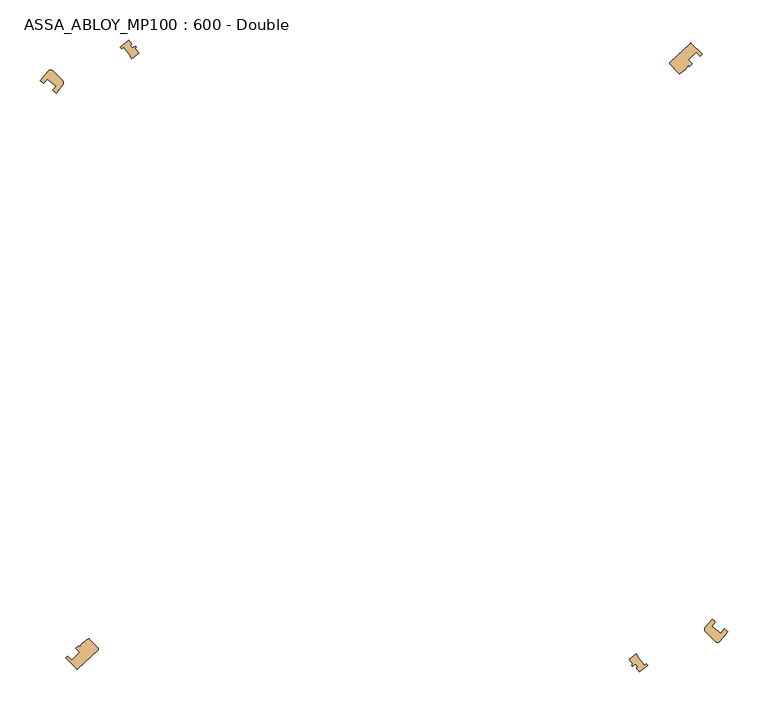
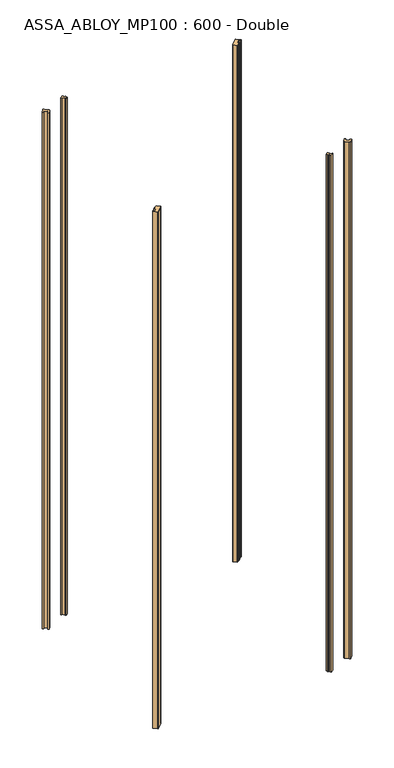
"""IFC4 building model written with IfcOpenShell, lengths in millimetres: door geometry, ASSA_ABLOY_MP100 : 600 - Double."""

from ifc_helpers import new_model, si_unit, point, frame_2d, origin, origin_with_axes, place, context, project, spatial, polyline, circle_curve, trimmed, segment, composite_curve, outline, extrude, source, transform, mapped, element, save


def assa_abloy_mp100_600_double_bf40a0ca(model_context):
    return source(origin(), model_context, "Body", "SweptSolid", [
        extrude(outline(composite_curve([segment(polyline([(479.309861, 363.9260974), (504.5181586, 387.7811579)]), True, "CONTINUOUS"), segment(trimmed(circle_curve(frame_2d((505.2055009, 387.0548244)), 1.0), [point((504.5181586, 387.7811579))], [point((505.9086308, 387.7658858))], False, "CARTESIAN"), True, "CONTINUOUS"), segment(trimmed(circle_curve(frame_2d((-101.9812768, -226.9812768)), 864.5485606), [point((505.9086308, 387.7658858))], [point((519.2398982, 374.2910953))], False, "CARTESIAN"), True, "CONTINUOUS"), segment(polyline([(519.2398982, 374.2910953), (517.0842489, 372.2046687)]), True, "CONTINUOUS"), segment(trimmed(circle_curve(frame_2d((-101.9812768, -226.9812768)), 861.5485606), [point((517.0842489, 372.2046687))], [point((512.1954863, 377.2147395))], True, "CARTESIAN"), True, "CONTINUOUS"), segment(polyline([(512.1954863, 377.2147395), (502.1354518, 367.4777553)]), True, "CONTINUOUS"), segment(trimmed(circle_curve(frame_2d((-101.9812768, -226.9812768)), 847.5485606), [point((502.1354518, 367.4777553))], [point((507.024552, 362.4680112))], False, "CARTESIAN"), True, "CONTINUOUS"), segment(polyline([(507.024552, 362.4680112), (503.5534122, 359.1083375), (502.0685939, 360.6810892), (498.0720284, 355.5803959)]), True, "CONTINUOUS"), segment(trimmed(circle_curve(frame_2d((494.9234226, 358.0474349)), 4.0), [point((498.0720284, 355.5803959))], [point((497.2131569, 354.7676305))], False, "CARTESIAN"), True, "CONTINUOUS"), segment(polyline([(497.2131569, 354.7676305), (491.2664891, 350.6160751)]), True, "CONTINUOUS"), segment(trimmed(circle_curve(frame_2d((490.9946815, 351.5784267)), 1.0), [point((491.2664891, 350.6160751))], [point((490.268348, 350.8910843))], False, "CARTESIAN"), True, "CONTINUOUS"), segment(polyline([(490.268348, 350.8910843), (479.2708699, 362.5124214)]), True, "CONTINUOUS"), segment(trimmed(circle_curve(frame_2d((479.9972034, 363.1997638)), 1.0), [point((479.2708699, 362.5124214))], [point((479.309861, 363.9260974))], False, "CARTESIAN"), True, "CONTINUOUS")], self_intersect=False)), origin_with_axes(), (0.0, 0.0, 1.0), 2200.0),
        extrude(outline(composite_curve([segment(polyline([(-229.309861, -363.9260974), (-254.5181586, -387.7811579)]), True, "CONTINUOUS"), segment(trimmed(circle_curve(frame_2d((-255.2055009, -387.0548244)), 1.0), [point((-254.5181586, -387.7811579))], [point((-255.9086308, -387.7658858))], False, "CARTESIAN"), True, "CONTINUOUS"), segment(trimmed(circle_curve(frame_2d((351.9812768, 226.9812768)), 864.5485606), [point((-255.9086308, -387.7658858))], [point((-269.2398982, -374.2910953))], False, "CARTESIAN"), True, "CONTINUOUS"), segment(polyline([(-269.2398982, -374.2910953), (-267.0842489, -372.2046687)]), True, "CONTINUOUS"), segment(trimmed(circle_curve(frame_2d((351.9812768, 226.9812768)), 861.5485606), [point((-267.0842489, -372.2046687))], [point((-262.1954863, -377.2147395))], True, "CARTESIAN"), True, "CONTINUOUS"), segment(polyline([(-262.1954863, -377.2147395), (-252.1354518, -367.4777553)]), True, "CONTINUOUS"), segment(trimmed(circle_curve(frame_2d((351.9812768, 226.9812768)), 847.5485606), [point((-252.1354518, -367.4777553))], [point((-257.024552, -362.4680112))], False, "CARTESIAN"), True, "CONTINUOUS"), segment(polyline([(-257.024552, -362.4680112), (-253.5534122, -359.1083375), (-252.0685939, -360.6810892), (-248.0720284, -355.5803959)]), True, "CONTINUOUS"), segment(trimmed(circle_curve(frame_2d((-244.9234226, -358.0474349)), 4.0), [point((-248.0720284, -355.5803959))], [point((-247.2131569, -354.7676305))], False, "CARTESIAN"), True, "CONTINUOUS"), segment(polyline([(-247.2131569, -354.7676305), (-241.2664891, -350.6160751)]), True, "CONTINUOUS"), segment(trimmed(circle_curve(frame_2d((-240.9946815, -351.5784267)), 1.0), [point((-241.2664891, -350.6160751))], [point((-240.268348, -350.8910843))], False, "CARTESIAN"), True, "CONTINUOUS"), segment(polyline([(-240.268348, -350.8910843), (-229.2708699, -362.5124214)]), True, "CONTINUOUS"), segment(trimmed(circle_curve(frame_2d((-229.9972034, -363.1997638)), 1.0), [point((-229.2708699, -362.5124214))], [point((-229.309861, -363.9260974))], False, "CARTESIAN"), True, "CONTINUOUS")], self_intersect=False)), origin_with_axes(), (0.0, 0.0, 1.0), 2200.0),
        extrude(outline(composite_curve([segment(polyline([(-300.8765308, 341.8230716), (-291.2143175, 353.5806112)]), True, "CONTINUOUS"), segment(trimmed(circle_curve(frame_2d((-288.1891131, 350.9637164)), 4.0), [point((-291.2143175, 353.5806112))], [point((-285.360686, 353.7921435))], False, "CARTESIAN"), True, "CONTINUOUS"), segment(polyline([(-285.360686, 353.7921435), (-273.3631839, 341.7946414)]), True, "CONTINUOUS"), segment(trimmed(circle_curve(frame_2d((-276.191611, 338.9662143)), 4.0), [point((-273.3631839, 341.7946414))], [point((-273.1011862, 336.426672))], False, "CARTESIAN"), True, "CONTINUOUS"), segment(polyline([(-273.1011862, 336.426672), (-281.4678968, 326.2450381), (-285.638281, 329.5923311)]), True, "CONTINUOUS"), segment(trimmed(circle_curve(frame_2d((125.0, 0.0)), 526.55), [point((-285.638281, 329.5923311))], [point((-281.2203646, 335.0222648))], False, "CARTESIAN"), True, "CONTINUOUS"), segment(polyline([(-281.2203646, 335.0222648), (-292.1394242, 343.7862756)]), True, "CONTINUOUS"), segment(trimmed(circle_curve(frame_2d((125.0, 0.0)), 540.55), [point((-292.1394242, 343.7862756))], [point((-296.5564007, 338.3555874))], True, "CARTESIAN"), True, "CONTINUOUS"), segment(polyline([(-296.5564007, 338.3555874), (-300.8765308, 341.8230716)]), True, "CONTINUOUS")], self_intersect=False)), origin_with_axes(), (0.0, 0.0, 1.0), 2200.0),
        extrude(outline(composite_curve([segment(polyline([(550.8791701, -341.8198569), (541.2143035, -353.5806252)]), True, "CONTINUOUS"), segment(trimmed(circle_curve(frame_2d((538.1895408, -350.9754066)), 3.9920362), [point((541.2143035, -353.5806252))], [point((535.3667449, -353.7982024))], False, "CARTESIAN"), True, "CONTINUOUS"), segment(polyline([(535.3667449, -353.7982024), (523.4563385, -341.887796)]), True, "CONTINUOUS"), segment(trimmed(circle_curve(frame_2d((526.2847656, -339.0593689)), 4.0), [point((523.4563385, -341.887796))], [point((523.1943408, -336.5198266))], False, "CARTESIAN"), True, "CONTINUOUS"), segment(polyline([(523.1943408, -336.5198266), (531.5726762, -326.3240462), (535.6396687, -329.5883026)]), True, "CONTINUOUS"), segment(trimmed(circle_curve(frame_2d((125.0, 0.0)), 526.5485606), [point((535.6396687, -329.5883026))], [point((531.2217935, -335.0182698))], False, "CARTESIAN"), True, "CONTINUOUS"), segment(polyline([(531.2217935, -335.0182698), (542.1409199, -343.7821974)]), True, "CONTINUOUS"), segment(trimmed(circle_curve(frame_2d((125.0, 0.0)), 540.5485606), [point((542.1409199, -343.7821974))], [point((546.5578551, -338.3514758))], True, "CARTESIAN"), True, "CONTINUOUS"), segment(polyline([(546.5578551, -338.3514758), (550.8791701, -341.8198569)]), True, "CONTINUOUS")], self_intersect=False)), origin_with_axes(), (0.0, 0.0, 1.0), 2200.0),
        extrude(outline(composite_curve([segment(polyline([(-183.4434906, 381.5684633), (-178.9817681, 375.9884768)]), True, "CONTINUOUS"), segment(trimmed(circle_curve(frame_2d((125.0, 0.0)), 483.5), [point((-178.9817681, 375.9884768))], [point((-187.4298685, 368.998411))], True, "CARTESIAN"), True, "CONTINUOUS"), segment(polyline([(-187.4298685, 368.998411), (-189.7506937, 371.3192362), (-188.7087413, 372.1523749), (-197.4517632, 383.0867046), (-199.7113837, 381.2799262), (-201.7178297, 383.2863722)]), True, "CONTINUOUS"), segment(trimmed(circle_curve(frame_2d((125.0, 0.0)), 503.6397357), [point((-201.7178297, 383.2863722))], [point((-191.5592408, 391.718305))], False, "CARTESIAN"), True, "CONTINUOUS"), segment(polyline([(-191.5592408, 391.718305), (-187.5027508, 386.6451164), (-189.4553096, 385.0838625), (-187.2695542, 382.35028), (-182.5277629, 384.4264147), (-181.9092684, 383.6529038), (-183.4434906, 381.5684633)]), True, "CONTINUOUS")], self_intersect=False)), origin_with_axes(), (0.0, 0.0, 1.0), 2200.0),
        extrude(outline(composite_curve([segment(polyline([(433.396512, -381.5214848), (428.9817681, -375.9884768)]), True, "CONTINUOUS"), segment(trimmed(circle_curve(frame_2d((125.0, 0.0)), 483.5), [point((428.9817681, -375.9884768))], [point((437.4298685, -368.998411))], True, "CARTESIAN"), True, "CONTINUOUS"), segment(polyline([(437.4298685, -368.998411), (439.7506937, -371.3192362), (438.7087413, -372.1523749), (447.4517633, -383.0867046), (449.7113837, -381.2799262), (451.6709655, -383.239508)]), True, "CONTINUOUS"), segment(trimmed(circle_curve(frame_2d((125.0, 0.0)), 503.5736691), [point((451.6709655, -383.239508))], [point((441.5122623, -391.6713265))], False, "CARTESIAN"), True, "CONTINUOUS"), segment(polyline([(441.5122623, -391.6713265), (437.4557722, -386.5981379), (439.4083311, -385.036884), (437.2225756, -382.3033015), (432.4807844, -384.3794362), (431.8622899, -383.6059253), (433.396512, -381.5214848)]), True, "CONTINUOUS")], self_intersect=False)), origin_with_axes(), (0.0, 0.0, 1.0), 2200.0),
    ])


if __name__ == "__main__":
    model = new_model("IFC4")
    model_context = context("Model", 3, world=origin())
    ifc_project = project(units=[si_unit("LENGTHUNIT", "METRE", prefix="MILLI")], contexts=[model_context])
    site = spatial("IfcSite", under=ifc_project)
    building = spatial("IfcBuilding", under=site)
    placement = place(None, origin())
    assa_abloy_mp100_600_double_shape = assa_abloy_mp100_600_double_bf40a0ca(model_context)
    element("IfcDoor", 1, ObjectType="ASSA_ABLOY_MP100 : 600 - Double", at=placement, inside=building, context=model_context, shape_type="MappedRepresentation", body=[
        mapped(assa_abloy_mp100_600_double_shape, transform((0.0, 0.0, 0.0), x_axis=(1.0, 0.0, 0.0), y_axis=(0.0, 1.0, 0.0), z_axis=(0.0, 0.0, 1.0))),
    ])
    save(model, "model.ifc")
